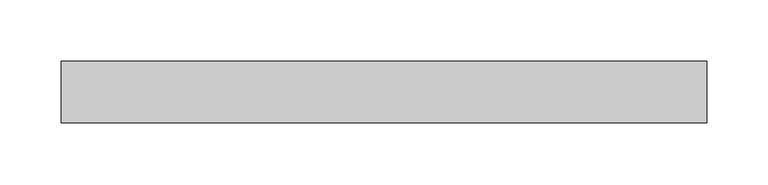
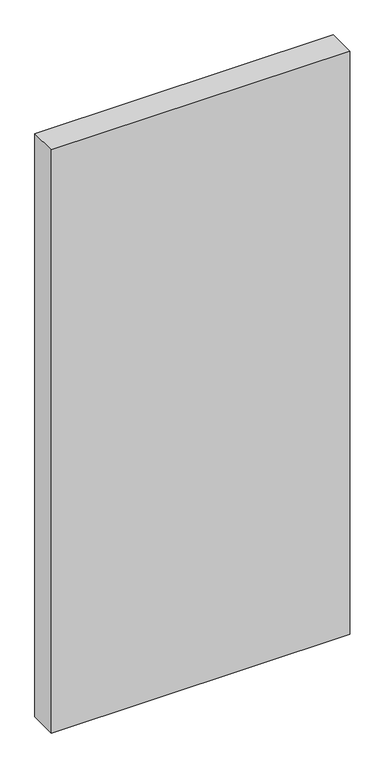
"""IFC4 building model written with IfcOpenShell, lengths in millimetres: plate geometry."""

from ifc_helpers import new_model, si_unit, origin, origin_with_axes, place, context, project, spatial, polyline, outline, extrude, source, transform, mapped, element, save


def plate_796883d3(model_context):
    return source(origin(), model_context, "Body", "SweptSolid", [
        extrude(outline(polyline([(262.5, -25.0), (-262.5, -25.0), (-262.5, 25.0), (262.5, 25.0), (262.5, -25.0)])), origin_with_axes(), (0.0, 0.0, 1.0), 1085.0),
    ])


if __name__ == "__main__":
    model = new_model("IFC4")
    model_context = context("Model", 3, world=origin())
    ifc_project = project(units=[si_unit("LENGTHUNIT", "METRE", prefix="MILLI")], contexts=[model_context])
    site = spatial("IfcSite", under=ifc_project)
    building = spatial("IfcBuilding", under=site)
    placement = place(None, origin())
    plate_shape = plate_796883d3(model_context)
    element("IfcPlate", 1, at=placement, inside=building, context=model_context, shape_type="MappedRepresentation", body=[
        mapped(plate_shape, transform((0.0, 0.0, 0.0), x_axis=(1.0, 0.0, 0.0), y_axis=(0.0, 1.0, 0.0), z_axis=(0.0, 0.0, 1.0))),
    ])
    save(model, "model.ifc")
